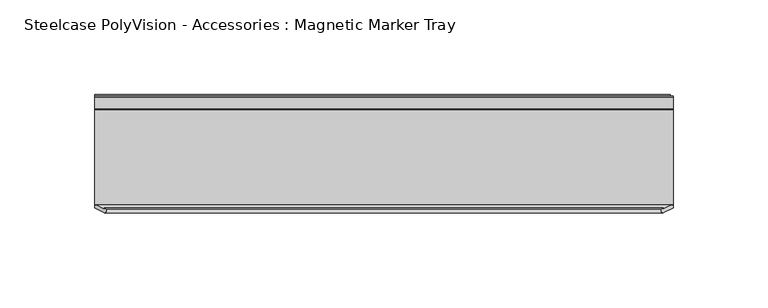
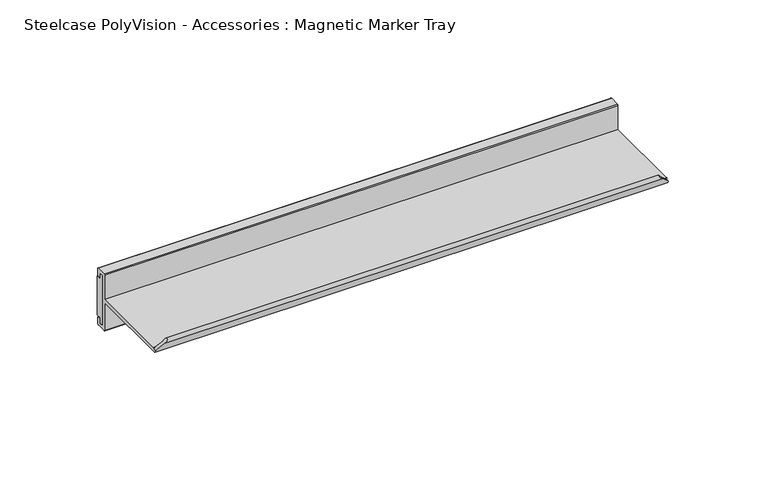
"""IFC4 building model written with IfcOpenShell, lengths in millimetres: furniture geometry, Steelcase PolyVision - Accessories : Magnetic Marker Tray."""

from ifc_helpers import new_model, si_unit, frame, origin, place, context, project, spatial, polyline, circle_curve, ellipse_curve, outline, extrude, source, transform, mapped, element, save
from ifc_brep_helpers import plane_surface, cylinder_surface, advanced_brep


def steelcase_polyvision_accessories_magnetic_marker_tray_f7c5e752(model_context):
    return source(origin(), model_context, "Body", "SolidModel", [
        advanced_brep(
        [(228.1621628, -6.5640661, 725.9323614), (228.1621628, -56.7284459, 725.9323614), (228.1621628, -56.927271, 726.3225776), (228.1621628, -56.927271, 725.0803822), (228.1621628, -58.5506253, 725.0803822), (228.1621628, -57.9493017, 723.900218), (228.1621628, -6.5640661, 723.900218), (228.1621628, -6.5640661, 706.6660687), (228.1621628, -5.8912416, 705.9932442), (228.1621628, -0.2535141, 705.9932442), (228.1621628, 0.4215541, 706.6683124), (228.1621628, 0.4215541, 710.5282492), (228.1621628, -0.2504632, 711.2002665), (228.1621628, -1.61088, 711.2002665), (228.1621628, -1.61088, 708.0253149), (228.1621628, -4.531632, 708.0253149), (228.1621628, -4.531632, 739.7752665), (228.1621628, -1.61088, 739.7752665), (228.1621628, -1.61088, 736.6003149), (228.1621628, -0.2503782, 736.6003149), (228.1621628, 0.4215541, 737.2722472), (228.1621628, 0.4215541, 741.2329883), (228.1621628, -0.1527948, 741.8073372), (228.1621628, -6.0282968, 741.8073372), (228.1621628, -6.5640661, 741.271568), (-76.6378372, -6.5640661, 725.9323614), (-76.6378372, -6.5640661, 741.271568), (-76.6378372, -6.0282968, 741.8073372), (-76.6378372, -0.1527948, 741.8073372), (-76.6378372, 0.4215541, 741.2329883), (-76.6378372, 0.4215541, 737.2722472), (-76.6378372, -0.2503782, 736.6003149), (-76.6378372, -1.61088, 736.6003149), (-76.6378372, -1.61088, 739.7752665), (-76.6378372, -4.531632, 739.7752665), (-76.6378372, -4.531632, 708.0253149), (-76.6378372, -1.61088, 708.0253149), (-76.6378372, -1.61088, 711.2002665), (-76.6378372, -0.2504632, 711.2002665), (-76.6378372, 0.4215541, 710.5282492), (-76.6378372, 0.4215541, 706.6683124), (-76.6378372, -0.2535141, 705.9932442), (-76.6378372, -5.8912416, 705.9932442), (-76.6378372, -6.5640661, 706.6660687), (-76.6378372, -6.5640661, 723.900218), (-76.6378372, -57.9493017, 723.900218), (-76.6378372, -58.6904012, 725.3547077), (-76.6378372, -56.927271, 725.3547077), (-76.6378372, -56.927271, 726.3225776), (-76.6378372, -56.7284459, 725.9323614), (-75.6699673, -56.927271, 726.3225776), (-72.0900081, -58.7513513, 729.9025368), (223.3400081, -58.7513513, 729.9025368), (226.9199673, -56.927271, 726.3225776), (-70.4774233, -59.2326435, 731.5151216), (221.7274233, -59.2326435, 731.5151216), (-72.0533528, -61.0263127, 729.9391922), (223.3033528, -61.0263127, 729.9391922)],
        [
            (0, 1),
            (1, 2),
            (2, 3),
            (3, 4),
            (4, 5),
            (5, 6),
            (6, 7),
            (7, 8, circle_curve(frame((228.1621628, -5.8912416, 706.6660687), z_axis=(1.0, 0.0, 0.0), x_axis=(0.0, -1.0, 0.0)), 0.6728245)),
            (8, 9),
            (9, 10, circle_curve(frame((228.1621628, -0.2535141, 706.6683124), z_axis=(1.0, 0.0, 0.0), x_axis=(0.0, -1.0, 0.0)), 0.6750682)),
            (10, 11),
            (11, 12, circle_curve(frame((228.1621628, -0.2504632, 710.5282492), z_axis=(1.0, 0.0, 0.0), x_axis=(0.0, -1.0, 0.0)), 0.6720173)),
            (12, 13),
            (13, 14),
            (14, 15),
            (15, 16),
            (16, 17),
            (17, 18),
            (18, 19),
            (19, 20, circle_curve(frame((228.1621628, -0.2503782, 737.2722472), z_axis=(1.0, 0.0, 0.0), x_axis=(0.0, -1.0, 0.0)), 0.6719323)),
            (20, 21),
            (21, 22, circle_curve(frame((228.1621628, -0.1527948, 741.2329883), z_axis=(1.0, 0.0, 0.0), x_axis=(0.0, -1.0, 0.0)), 0.5743489)),
            (22, 23),
            (23, 24, circle_curve(frame((228.1621628, -6.0282968, 741.271568), z_axis=(1.0, 0.0, 0.0), x_axis=(0.0, -1.0, 0.0)), 0.5357692)),
            (24, 0),
            (25, 26),
            (26, 27, circle_curve(frame((-76.6378372, -6.0282968, 741.271568), z_axis=(-1.0, 0.0, 0.0), x_axis=(0.0, -1.0, 0.0)), 0.5357692)),
            (27, 28),
            (28, 29, circle_curve(frame((-76.6378372, -0.1527948, 741.2329883), z_axis=(-1.0, 0.0, 0.0), x_axis=(0.0, -1.0, 0.0)), 0.5743489)),
            (29, 30),
            (30, 31, circle_curve(frame((-76.6378372, -0.2503782, 737.2722472), z_axis=(-1.0, 0.0, 0.0), x_axis=(0.0, -1.0, 0.0)), 0.6719323)),
            (31, 32),
            (32, 33),
            (33, 34),
            (34, 35),
            (35, 36),
            (36, 37),
            (37, 38),
            (38, 39, circle_curve(frame((-76.6378372, -0.2504632, 710.5282492), z_axis=(-1.0, 0.0, 0.0), x_axis=(0.0, -1.0, 0.0)), 0.6720173)),
            (39, 40),
            (40, 41, circle_curve(frame((-76.6378372, -0.2535141, 706.6683124), z_axis=(-1.0, 0.0, 0.0), x_axis=(0.0, -1.0, 0.0)), 0.6750682)),
            (41, 42),
            (42, 43, circle_curve(frame((-76.6378372, -5.8912416, 706.6660687), z_axis=(-1.0, 0.0, 0.0), x_axis=(0.0, -1.0, 0.0)), 0.6728245)),
            (43, 44),
            (44, 45),
            (45, 46),
            (46, 47),
            (47, 48),
            (48, 49),
            (49, 25),
            (0, 25),
            (49, 1),
            (48, 50),
            (50, 51),
            (51, 52),
            (52, 53),
            (53, 2),
            (51, 54, ellipse_curve(frame((-71.5810243, -59.9881392, 730.4115207), z_axis=(0.7071067811865482, 0.0, -0.7071067811865469), x_axis=(0.7071067811865468, 0.0, 0.7071067811865482)), 1.8914063, 1.3374262)),
            (54, 55),
            (55, 52, ellipse_curve(frame((222.8310243, -59.9881392, 730.4115207), z_axis=(-0.7071067811865688, 0.0, -0.7071067811865263), x_axis=(0.7071067811865261, 0.0, -0.7071067811865688)), 1.8914063, 1.3374262)),
            (54, 56, ellipse_curve(frame((-71.4940342, -59.9285881, 730.4985108), z_axis=(0.7071067811865482, 0.0, -0.7071067811865469), x_axis=(0.7071067811865468, 0.0, 0.7071067811865482)), 1.7423183, 1.2320051)),
            (56, 57),
            (57, 55, ellipse_curve(frame((222.7440342, -59.9285881, 730.4985108), z_axis=(-0.7071067811865688, 0.0, -0.7071067811865263), x_axis=(0.7071067811865261, 0.0, -0.7071067811865688)), 1.7423183, 1.2320051)),
            (45, 5),
            (4, 57),
            (56, 46),
            (44, 6),
            (43, 7),
            (42, 8),
            (41, 9),
            (40, 10),
            (39, 11),
            (38, 12),
            (37, 13),
            (36, 14),
            (35, 15),
            (34, 16),
            (33, 17),
            (32, 18),
            (31, 19),
            (30, 20),
            (29, 21),
            (28, 22),
            (27, 23),
            (26, 24),
            (47, 50),
            (53, 3),
        ],
        [
            plane_surface(frame((228.1621628, -6.5640661, 725.9323614), z_axis=(1.0, 0.0, 0.0), x_axis=(0.0, -1.0, 0.0))),
            plane_surface(frame((-76.6378372, -6.5640661, 725.9323614), z_axis=(-1.0, 0.0, 0.0), x_axis=(0.0, 1.0, 0.0))),
            plane_surface(frame((228.1621628, -6.5640661, 725.9323614), z_axis=(0.0, 0.0, 1.0), x_axis=(-1.0, 0.0, 0.0))),
            plane_surface(frame((228.1621628, -56.7284459, 725.9323614), z_axis=(0.0, 0.8910065241883705, 0.4539904997395416), x_axis=(-1.0, 0.0, 0.0))),
            cylinder_surface(frame((-76.6378372, -59.9881392, 730.4115207), z_axis=(1.0, 0.0, 0.0), x_axis=(0.0, -1.0, 0.0)), 1.3374262),
            cylinder_surface(frame((-76.6378372, -59.9285881, 730.4985108), z_axis=(1.0, 0.0, 0.0), x_axis=(0.0, -1.0, 0.0)), 1.2320051),
            plane_surface(frame((228.1621628, -61.0263127, 729.9391922), z_axis=(0.0, -0.8910065241883723, -0.45399049973953803), x_axis=(-1.0, 0.0, 0.0))),
            plane_surface(frame((228.1621628, -57.9493017, 723.900218), z_axis=(0.0, 0.0, -1.0), x_axis=(-1.0, 0.0, 0.0))),
            plane_surface(frame((228.1621628, -6.5640661, 723.900218), z_axis=(0.0, -1.0, 0.0), x_axis=(-1.0, 0.0, 0.0))),
            cylinder_surface(frame((-76.6378372, -5.8912416, 706.6660687), z_axis=(1.0, 0.0, 0.0), x_axis=(0.0, -1.0, 0.0)), 0.6728245),
            plane_surface(frame((228.1621628, -5.8912416, 705.9932442), z_axis=(0.0, 0.0, -1.0), x_axis=(-1.0, 0.0, 0.0))),
            cylinder_surface(frame((-76.6378372, -0.2535141, 706.6683124), z_axis=(1.0, 0.0, 0.0), x_axis=(0.0, -1.0, 0.0)), 0.6750682),
            plane_surface(frame((228.1621628, 0.4215541, 706.6683124), z_axis=(0.0, 1.0, 0.0), x_axis=(-1.0, 0.0, 0.0))),
            cylinder_surface(frame((-76.6378372, -0.2504632, 710.5282492), z_axis=(1.0, 0.0, 0.0), x_axis=(0.0, -1.0, 0.0)), 0.6720173),
            plane_surface(frame((228.1621628, -0.2504632, 711.2002665), z_axis=(0.0, 0.0, 1.0), x_axis=(-1.0, 0.0, 0.0))),
            plane_surface(frame((228.1621628, -1.61088, 711.2002665), z_axis=(0.0, -1.0, 0.0), x_axis=(-1.0, 0.0, 0.0))),
            plane_surface(frame((228.1621628, -1.61088, 708.0253149), z_axis=(0.0, 0.0, 1.0), x_axis=(-1.0, 0.0, 0.0))),
            plane_surface(frame((228.1621628, -4.531632, 708.0253149), z_axis=(0.0, 1.0, 0.0), x_axis=(-1.0, 0.0, 0.0))),
            plane_surface(frame((228.1621628, -4.531632, 739.7752665), z_axis=(0.0, 0.0, -1.0), x_axis=(-1.0, 0.0, 0.0))),
            plane_surface(frame((228.1621628, -1.61088, 739.7752665), z_axis=(0.0, -1.0, 0.0), x_axis=(-1.0, 0.0, 0.0))),
            plane_surface(frame((228.1621628, -1.61088, 736.6003149), z_axis=(0.0, 0.0, -1.0), x_axis=(-1.0, 0.0, 0.0))),
            cylinder_surface(frame((-76.6378372, -0.2503782, 737.2722472), z_axis=(1.0, 0.0, 0.0), x_axis=(0.0, -1.0, 0.0)), 0.6719323),
            plane_surface(frame((228.1621628, 0.4215541, 737.2722472), z_axis=(0.0, 1.0, 0.0), x_axis=(-1.0, 0.0, 0.0))),
            cylinder_surface(frame((-76.6378372, -0.1527948, 741.2329883), z_axis=(1.0, 0.0, 0.0), x_axis=(0.0, -1.0, 0.0)), 0.5743489),
            plane_surface(frame((228.1621628, -0.1527948, 741.8073372), z_axis=(0.0, 0.0, 1.0), x_axis=(-1.0, 0.0, 0.0))),
            cylinder_surface(frame((-76.6378372, -6.0282968, 741.271568), z_axis=(1.0, 0.0, 0.0), x_axis=(0.0, -1.0, 0.0)), 0.5357692),
            plane_surface(frame((228.1621628, -6.5640661, 741.271568), z_axis=(0.0, -1.0, 0.0), x_axis=(-1.0, 0.0, 0.0))),
            plane_surface(frame((-78.7072263, -56.927271, 723.2853186), z_axis=(0.0, -1.0, 0.0), x_axis=(0.0, 0.0, 1.0))),
            plane_surface(frame((-69.1487278, -56.927271, 732.8438171), z_axis=(-0.7071067811865482, 0.0, 0.7071067811865469), x_axis=(0.0, -1.0, 0.0))),
            plane_surface(frame((229.9572263, -56.927271, 723.2853186), z_axis=(0.7071067811865688, 0.0, 0.7071067811865263), x_axis=(0.0, -1.0, 0.0))),
        ],
        [
            (0, [[1, 2, 3, 4, 5, 6, 7, 8, 9, 10, 11, 12, 13, 14, 15, 16, 17, 18, 19, 20, 21, 22, 23, 24, 25]]),
            (1, [[26, 27, 28, 29, 30, 31, 32, 33, 34, 35, 36, 37, 38, 39, 40, 41, 42, 43, 44, 45, 46, 47, 48, 49, 50]]),
            (2, [[-1, 51, -50, 52]]),
            (3, [[-52, -49, 53, 54, 55, 56, 57, -2]]),
            (4, [[-55, 58, 59, 60]]),
            (5, [[-59, 61, 62, 63]]),
            (6, [[64, -5, 65, -62, 66, -46]]),
            (7, [[-6, -64, -45, 67]]),
            (8, [[-7, -67, -44, 68]]),
            (9, [[-8, -68, -43, 69]]),
            (10, [[-9, -69, -42, 70]]),
            (11, [[-10, -70, -41, 71]]),
            (12, [[-11, -71, -40, 72]]),
            (13, [[-12, -72, -39, 73]]),
            (14, [[-13, -73, -38, 74]]),
            (15, [[-14, -74, -37, 75]]),
            (16, [[-15, -75, -36, 76]]),
            (17, [[-16, -76, -35, 77]]),
            (18, [[-17, -77, -34, 78]]),
            (19, [[-18, -78, -33, 79]]),
            (20, [[-19, -79, -32, 80]]),
            (21, [[-20, -80, -31, 81]]),
            (22, [[-21, -81, -30, 82]]),
            (23, [[-22, -82, -29, 83]]),
            (24, [[-23, -83, -28, 84]]),
            (25, [[-24, -84, -27, 85]]),
            (26, [[-25, -85, -26, -51]]),
            (27, [[86, -53, -48]]),
            (27, [[87, -3, -57]]),
            (28, [[-86, -47, -66, -61, -58, -54]]),
            (29, [[-87, -56, -60, -63, -65, -4]]),
        ],
    ),
        extrude(outline(polyline([(1.1831355, 736.0922064), (1.1831355, 711.7082296), (-1.9922521, 711.7082296), (-1.9922521, 708.2792965), (-4.531632, 708.2792965), (-4.531632, 739.5212849), (-1.9922521, 739.5212849), (-1.9922521, 736.0922064), (1.1831355, 736.0922064)])), frame((-76.6378372, 0.0, 0.0), z_axis=(1.0, 0.0, 0.0), x_axis=(0.0, 1.0, 0.0)), (0.0, 0.0, 1.0), 303.2756744),
    ])


if __name__ == "__main__":
    model = new_model("IFC4")
    model_context = context("Model", 3, world=origin())
    ifc_project = project(units=[si_unit("LENGTHUNIT", "METRE", prefix="MILLI")], contexts=[model_context])
    site = spatial("IfcSite", under=ifc_project)
    building = spatial("IfcBuilding", under=site)
    placement = place(None, origin())
    steelcase_polyvision_accessories_magnetic_marker_tray_shape = steelcase_polyvision_accessories_magnetic_marker_tray_f7c5e752(model_context)
    element("IfcFurniture", 1, ObjectType="Steelcase PolyVision - Accessories : Magnetic Marker Tray", at=placement, inside=building, context=model_context, shape_type="MappedRepresentation", body=[
        mapped(steelcase_polyvision_accessories_magnetic_marker_tray_shape, transform((0.0, 0.0, 0.0), x_axis=(1.0, 0.0, 0.0), y_axis=(0.0, 1.0, 0.0), z_axis=(0.0, 0.0, 1.0))),
    ])
    save(model, "model.ifc")
